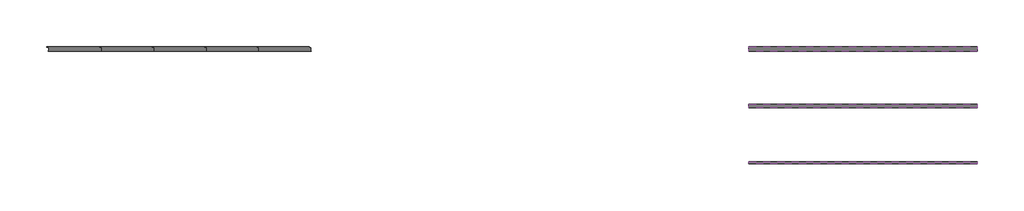
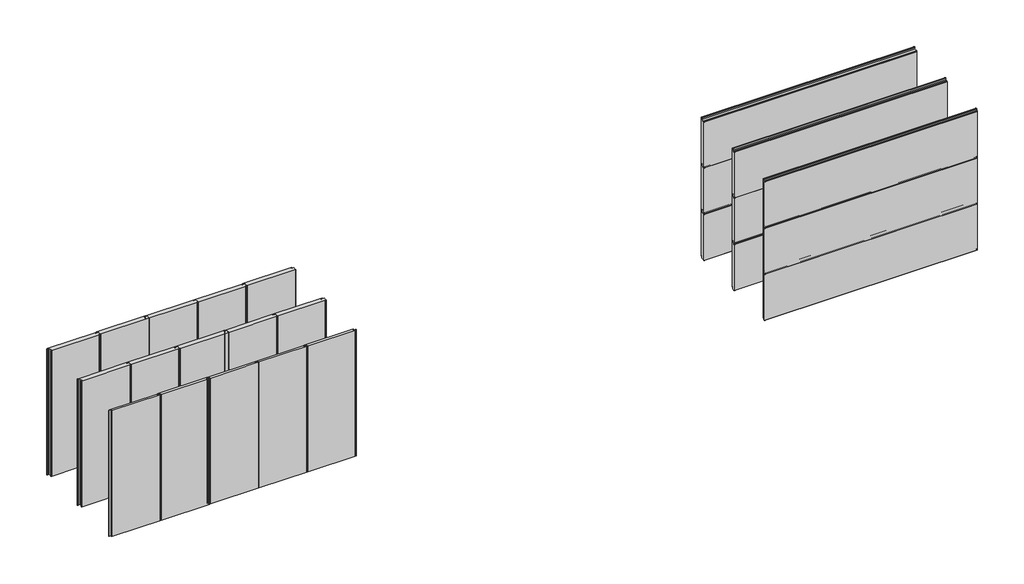
# One storey: 24 proxies.
"""IFC4 building model written with IfcOpenShell, lengths in millimetres."""

import ifcopenshell
import ifcopenshell.guid

model = None  # the IFC model being written
_history = None  # IfcOwnerHistory: only IFC2X3 demands one
_inside = {}  # id of a spatial element -> (the spatial element, [elements in it])
_under = {}  # id of a project, library or spatial element -> (it, [spatial elements below it])
_declared = {}  # id of a project -> (the project, [libraries it declares])
_typed = {}  # id of a type object -> (the type object, [elements of that type])
_made_of = {}  # id of a material, layer set ... -> (it, [elements and type objects made of it])


def new_model(schema):
    """Start an empty IFC model of exactly this schema.

    Asked for "IFC4X3", IfcOpenShell would pick the latest addendum, in which some entities
    have other attributes; the version numbers below select the first issue.
    IFC2X3 requires an IfcOwnerHistory on every rooted entity: one is made here for all.
    """
    global model, _history
    if schema == "IFC4X3":
        model = ifcopenshell.file(schema_version=(4, 3, 0, 0))
    else:
        model = ifcopenshell.file(schema=schema)
    _inside.clear()
    _under.clear()
    _declared.clear()
    _typed.clear()
    _made_of.clear()
    _history = None
    if model.schema == "IFC2X3":
        org = make("IfcOrganization", Name="unknown")
        user = make(
            "IfcPersonAndOrganization",
            ThePerson=make("IfcPerson", FamilyName="unknown"),
            TheOrganization=org,
        )
        app = make(
            "IfcApplication",
            ApplicationDeveloper=org,
            Version="unknown",
            ApplicationFullName="unknown",
            ApplicationIdentifier="unknown",
        )
        _history = make(
            "IfcOwnerHistory",
            OwningUser=user,
            OwningApplication=app,
            ChangeAction="ADDED",
            CreationDate=0,
        )
    return model


def make(cls, **values):
    """One entity of the class cls with the attributes given. An attribute that is None is left unset."""
    return model.create_entity(
        cls, **{name: value for name, value in values.items() if value is not None}
    )


def rooted(cls, **values):
    """An entity with a GlobalId (a new one), such as an element, a storey or a relation."""
    return make(cls, GlobalId=ifcopenshell.guid.new(), OwnerHistory=_history, **values)


def si_unit(unit_type, name, prefix=None):
    """IfcSIUnit, for example si_unit("LENGTHUNIT", "METRE", prefix="MILLI")."""
    return make("IfcSIUnit", UnitType=unit_type, Prefix=prefix, Name=name)


def assignment(units):
    """IfcUnitAssignment: the units of a project."""
    return None if units is None else make("IfcUnitAssignment", Units=units)


def point(xyz):
    """IfcCartesianPoint."""
    return None if xyz is None else make("IfcCartesianPoint", Coordinates=xyz)


def direction(xyz):
    """IfcDirection."""
    return None if xyz is None else make("IfcDirection", DirectionRatios=xyz)


def frame(location, z_axis=None, x_axis=None):
    """IfcAxis2Placement3D, a coordinate frame: its origin and axes. An axis left out is left unset."""
    return make(
        "IfcAxis2Placement3D",
        Location=point(location),
        Axis=direction(z_axis),
        RefDirection=direction(x_axis),
    )


def frame_2d(location, x_axis=None):
    """IfcAxis2Placement2D, a coordinate frame in the plane: its origin and x axis."""
    return make(
        "IfcAxis2Placement2D", Location=point(location), RefDirection=direction(x_axis)
    )


def origin():
    """The frame at (0, 0, 0) with its axes left unset."""
    return frame((0.0, 0.0, 0.0))


def origin_with_axes():
    """The frame at (0, 0, 0) with the z axis (0, 0, 1) and the x axis (1, 0, 0) written out."""
    return frame((0.0, 0.0, 0.0), z_axis=(0.0, 0.0, 1.0), x_axis=(1.0, 0.0, 0.0))


def place(relative_to, where):
    """IfcLocalPlacement: puts the frame where relative to a parent placement (None: the world)."""
    return make(
        "IfcLocalPlacement", PlacementRelTo=relative_to, RelativePlacement=where
    )


def context(
    kind, dimensions, precision=None, world=None, true_north=None, identifier=None
):
    """IfcGeometricRepresentationContext, for example the 3D "Model" context."""
    return make(
        "IfcGeometricRepresentationContext",
        ContextIdentifier=identifier,
        ContextType=kind,
        CoordinateSpaceDimension=dimensions,
        Precision=precision,
        WorldCoordinateSystem=world,
        TrueNorth=true_north,
    )


def project(units=None, contexts=None):
    """IfcProject with its units and contexts."""
    return rooted(
        "IfcProject",
        Name="project",
        RepresentationContexts=contexts,
        UnitsInContext=assignment(units),
    )


def spatial(cls, under=None, at=None, **own):
    """A site, building, storey or space (cls), placed at a placement, below another one or the project."""
    s = rooted(cls, ObjectPlacement=at, **own)
    if under is not None:
        _under.setdefault(under.id(), (under, []))[1].append(s)
    return s


def polyline(points):
    """IfcPolyline through the points."""
    return make("IfcPolyline", Points=[point(p) for p in points])


def circle_curve(where, radius):
    """IfcCircle in the frame where."""
    return make("IfcCircle", Position=where, Radius=radius)


def trimmed(basis, trim1, trim2, sense, master):
    """IfcTrimmedCurve: the piece of a basis curve between two trims."""
    return make(
        "IfcTrimmedCurve",
        BasisCurve=basis,
        Trim1=trim1,
        Trim2=trim2,
        SenseAgreement=sense,
        MasterRepresentation=master,
    )


def segment(curve, same_sense, transition):
    """IfcCompositeCurveSegment."""
    return make(
        "IfcCompositeCurveSegment",
        Transition=transition,
        SameSense=same_sense,
        ParentCurve=curve,
    )


def composite_curve(segments, self_intersect=None):
    """IfcCompositeCurve: segments joined end to end."""
    return make("IfcCompositeCurve", Segments=segments, SelfIntersect=self_intersect)


def outline(outer, holes=None, kind="AREA"):
    """IfcArbitraryClosedProfileDef: a profile drawn as a closed curve; with holes, ...WithVoids."""
    if holes is None:
        return make("IfcArbitraryClosedProfileDef", ProfileType=kind, OuterCurve=outer)
    return make(
        "IfcArbitraryProfileDefWithVoids",
        ProfileType=kind,
        OuterCurve=outer,
        InnerCurves=holes,
    )


def extrude(swept, where, along, depth):
    """IfcExtrudedAreaSolid: the profile swept, set in the frame where, extruded along a direction by depth."""
    return make(
        "IfcExtrudedAreaSolid",
        SweptArea=swept,
        Position=where,
        ExtrudedDirection=direction(along),
        Depth=depth,
    )


def shape(context_of_items, identifier, shape_type, items):
    """IfcShapeRepresentation: the items that make up one representation, for example the "Body"."""
    return make(
        "IfcShapeRepresentation",
        ContextOfItems=context_of_items,
        RepresentationIdentifier=identifier,
        RepresentationType=shape_type,
        Items=items,
    )


def source(mapping_origin, context_of_items, identifier, shape_type, items):
    """IfcRepresentationMap: a shape defined once, which mapped items show again and again."""
    return make(
        "IfcRepresentationMap",
        MappingOrigin=mapping_origin,
        MappedRepresentation=shape(context_of_items, identifier, shape_type, items),
    )


def transform(
    local_origin,
    x_axis=None,
    y_axis=None,
    z_axis=None,
    scale=None,
    scale2=None,
    scale3=None,
    uniform=True,
):
    """IfcCartesianTransformationOperator3D, or its non-uniform kind. x_axis, y_axis, z_axis: its Axis1, 2, 3."""
    if uniform:
        return make(
            "IfcCartesianTransformationOperator3D",
            Axis1=direction(x_axis),
            Axis2=direction(y_axis),
            LocalOrigin=point(local_origin),
            Scale=scale,
            Axis3=direction(z_axis),
        )
    return make(
        "IfcCartesianTransformationOperator3DnonUniform",
        Axis1=direction(x_axis),
        Axis2=direction(y_axis),
        LocalOrigin=point(local_origin),
        Scale=scale,
        Axis3=direction(z_axis),
        Scale2=scale2,
        Scale3=scale3,
    )


def mapped(mapping_source, mapping_target):
    """IfcMappedItem: shows the shape of a source again, moved by a transform."""
    return make(
        "IfcMappedItem", MappingSource=mapping_source, MappingTarget=mapping_target
    )


def made_of(thing, what):
    """Note that an element or type object is made of a material, layer set ...; save() writes the relation."""
    if what is not None:
        _made_of.setdefault(what.id(), (what, []))[1].append(thing)
    return thing


def element(
    cls,
    number,
    at=None,
    inside=None,
    cuts=None,
    type_object=None,
    material=None,
    context=None,
    identifier="Body",
    shape_type=None,
    held_by="IfcProductDefinitionShape",
    body=None,
    shapes=None,
    **own,
):
    """One element of the class cls, such as IfcWall. Its Tag is "e" and its number.

    at: its placement. inside: the storey or other place that contains it. cuts: it is an
    opening in that element (IfcRelVoidsElement). A single representation is given by context,
    identifier, shape_type and body (its items); several are given by shapes. held_by: the class
    of the entity that holds the representations. save() writes the other relations.
    """
    e = rooted(cls, Tag="e%d" % number, ObjectPlacement=at, **own)
    if body is not None:
        shapes = [shape(context, identifier, shape_type, body)]
    if shapes is not None:
        e.Representation = make(held_by, Representations=shapes)
    if inside is not None:
        _inside.setdefault(inside.id(), (inside, []))[1].append(e)
    if cuts is not None:
        rooted(
            "IfcRelVoidsElement", RelatingBuildingElement=cuts, RelatedOpeningElement=e
        )
    if type_object is not None:
        _typed.setdefault(type_object.id(), (type_object, []))[1].append(e)
    return made_of(e, material)


def aggregate(whole, parts):
    """IfcRelAggregates: a whole, such as a stair, and the parts it consists of."""
    return rooted("IfcRelAggregates", RelatingObject=whole, RelatedObjects=parts)


def save(model, path):
    """Write the relations noted so far, then the file.

    IfcRelAggregates (storeys below a building ...), IfcRelContainedInSpatialStructure (elements
    in a storey), IfcRelDefinesByType, IfcRelAssociatesMaterial and IfcRelDeclares: one each for
    every whole, place, type object, material and project.
    """
    for whole, parts in _under.values():
        aggregate(whole, parts)
    for where, things in _inside.values():
        rooted(
            "IfcRelContainedInSpatialStructure",
            RelatedElements=things,
            RelatingStructure=where,
        )
    for kind, things in _typed.values():
        rooted("IfcRelDefinesByType", RelatedObjects=things, RelatingType=kind)
    for what, things in _made_of.values():
        rooted("IfcRelAssociatesMaterial", RelatedObjects=things, RelatingMaterial=what)
    for by, libraries in _declared.values():
        rooted("IfcRelDeclares", RelatingContext=by, RelatedDefinitions=libraries)
    model.write(path)


def generic_models_19837a20(model_context):
    return source(origin(), model_context, "Body", "SweptSolid", [
        extrude(outline(composite_curve([segment(polyline([(-565.5, -38.4816509), (-557.5, -38.4816509), (-557.5, 35.03), (-594.9169737, 35.03)]), True, "CONTINUOUS"), segment(trimmed(circle_curve(frame_2d((-594.4430286, 37.2219283)), 2.2425819), [point((-594.9169737, 35.03))], [point((-596.6803567, 37.3753446))], False, "CARTESIAN"), True, "CONTINUOUS"), segment(trimmed(circle_curve(frame_2d((-597.7350122, 37.3753446)), 1.0546554), [point((-596.6803567, 37.3753446))], [point((-597.7350122, 38.43))], True, "CARTESIAN"), True, "CONTINUOUS"), segment(polyline([(-597.7350122, 38.43), (-605.5, 38.43)]), True, "CONTINUOUS"), segment(trimmed(circle_curve(frame_2d((-605.5, 41.965)), 3.535), [point((-605.5, 38.43))], [point((-605.5, 45.5))], False, "CARTESIAN"), True, "CONTINUOUS"), segment(polyline([(-605.5, 45.5), (-593.0, 45.5)]), True, "CONTINUOUS"), segment(trimmed(circle_curve(frame_2d((-593.0, 48.43)), 2.93), [point((-593.0, 45.5))], [point((-590.07, 48.43))], True, "CARTESIAN"), True, "CONTINUOUS"), segment(trimmed(circle_curve(frame_2d((-587.4645959, 47.0573077)), 2.9448964), [point((-590.07, 48.43))], [point((-587.5785115, 50.0))], False, "CARTESIAN"), True, "CONTINUOUS"), segment(polyline([(-587.5785115, 50.0), (507.417592, 50.0)]), True, "CONTINUOUS"), segment(trimmed(circle_curve(frame_2d((507.417592, 47.965)), 2.035), [point((507.417592, 50.0))], [point((507.417592, 45.93))], False, "CARTESIAN"), True, "CONTINUOUS"), segment(polyline([(507.417592, 45.93), (494.5, 45.93)]), True, "CONTINUOUS"), segment(trimmed(circle_curve(frame_2d((494.5, 42.0)), 3.93), [point((494.5, 45.93))], [point((494.5, 38.07))], True, "CARTESIAN"), True, "CONTINUOUS"), segment(polyline([(494.5, 38.07), (502.5, 38.07), (502.5, 26.0), (541.5, 26.0), (541.5, -37.4816509), (534.5, -37.4816509)]), True, "CONTINUOUS"), segment(trimmed(circle_curve(frame_2d((534.5, -41.9816509)), 4.5), [point((534.5, -37.4816509))], [point((534.5, -46.4816509))], True, "CARTESIAN"), True, "CONTINUOUS"), segment(polyline([(534.5, -46.4816509), (547.5802646, -46.4816509)]), True, "CONTINUOUS"), segment(trimmed(circle_curve(frame_2d((547.5802646, -48.2408255)), 1.7591745), [point((547.5802646, -46.4816509))], [point((547.5802646, -50.0))], False, "CARTESIAN"), True, "CONTINUOUS"), segment(polyline([(547.5802646, -50.0), (-547.9710411, -50.0)]), True, "CONTINUOUS"), segment(trimmed(circle_curve(frame_2d((-547.9710411, -47.8890983)), 2.1109017), [point((-547.9710411, -50.0))], [point((-549.9970408, -48.4817459))], False, "CARTESIAN"), True, "CONTINUOUS"), segment(trimmed(circle_curve(frame_2d((-552.9983877, -48.4817459)), 3.0013468), [point((-549.9970408, -48.4817459))], [point((-552.9983877, -45.480399))], True, "CARTESIAN"), True, "CONTINUOUS"), segment(polyline([(-552.9983877, -45.480399), (-565.5, -45.480399)]), True, "CONTINUOUS"), segment(trimmed(circle_curve(frame_2d((-565.5, -41.981025)), 3.4993741), [point((-565.5, -45.480399))], [point((-565.5, -38.4816509))], False, "CARTESIAN"), True, "CONTINUOUS")], self_intersect=False)), origin_with_axes(), (0.0, 0.0, 1.0), 3000.0),
    ])


def generic_models_d38d5bbc(model_context):
    return source(origin(), model_context, "Body", "SweptSolid", [
        extrude(outline(composite_curve([segment(polyline([(-565.5, -13.4816509), (-557.5, -13.4816509), (-557.5, 10.03), (-594.9169737, 10.03)]), True, "CONTINUOUS"), segment(trimmed(circle_curve(frame_2d((-594.4430286, 12.2219283)), 2.2425819), [point((-594.9169737, 10.03))], [point((-596.6803567, 12.3753446))], False, "CARTESIAN"), True, "CONTINUOUS"), segment(trimmed(circle_curve(frame_2d((-597.7350122, 12.3753446)), 1.0546554), [point((-596.6803567, 12.3753446))], [point((-597.7350122, 13.43))], True, "CARTESIAN"), True, "CONTINUOUS"), segment(polyline([(-597.7350122, 13.43), (-605.5, 13.43)]), True, "CONTINUOUS"), segment(trimmed(circle_curve(frame_2d((-605.5, 16.965)), 3.535), [point((-605.5, 13.43))], [point((-605.5, 20.5))], False, "CARTESIAN"), True, "CONTINUOUS"), segment(polyline([(-605.5, 20.5), (-593.0, 20.5)]), True, "CONTINUOUS"), segment(trimmed(circle_curve(frame_2d((-593.0, 23.43)), 2.93), [point((-593.0, 20.5))], [point((-590.07, 23.43))], True, "CARTESIAN"), True, "CONTINUOUS"), segment(trimmed(circle_curve(frame_2d((-587.4645959, 22.0573077)), 2.9448964), [point((-590.07, 23.43))], [point((-587.5785115, 25.0))], False, "CARTESIAN"), True, "CONTINUOUS"), segment(polyline([(-587.5785115, 25.0), (507.417592, 25.0)]), True, "CONTINUOUS"), segment(trimmed(circle_curve(frame_2d((507.417592, 22.965)), 2.035), [point((507.417592, 25.0))], [point((507.417592, 20.93))], False, "CARTESIAN"), True, "CONTINUOUS"), segment(polyline([(507.417592, 20.93), (494.5, 20.93)]), True, "CONTINUOUS"), segment(trimmed(circle_curve(frame_2d((494.5, 17.0)), 3.93), [point((494.5, 20.93))], [point((494.5, 13.07))], True, "CARTESIAN"), True, "CONTINUOUS"), segment(polyline([(494.5, 13.07), (502.5, 13.07), (502.5, 1.0), (541.5, 1.0), (541.5, -12.4816509), (534.5, -12.4816509)]), True, "CONTINUOUS"), segment(trimmed(circle_curve(frame_2d((534.5, -16.9816509)), 4.5), [point((534.5, -12.4816509))], [point((534.5, -21.4816509))], True, "CARTESIAN"), True, "CONTINUOUS"), segment(polyline([(534.5, -21.4816509), (547.5802646, -21.4816509)]), True, "CONTINUOUS"), segment(trimmed(circle_curve(frame_2d((547.5802646, -23.2408255)), 1.7591745), [point((547.5802646, -21.4816509))], [point((547.5802646, -25.0))], False, "CARTESIAN"), True, "CONTINUOUS"), segment(polyline([(547.5802646, -25.0), (-547.9710411, -25.0)]), True, "CONTINUOUS"), segment(trimmed(circle_curve(frame_2d((-547.9710411, -22.8890983)), 2.1109017), [point((-547.9710411, -25.0))], [point((-549.9970408, -23.4817459))], False, "CARTESIAN"), True, "CONTINUOUS"), segment(trimmed(circle_curve(frame_2d((-552.9983877, -23.4817459)), 3.0013468), [point((-549.9970408, -23.4817459))], [point((-552.9983877, -20.480399))], True, "CARTESIAN"), True, "CONTINUOUS"), segment(polyline([(-552.9983877, -20.480399), (-565.5, -20.480399)]), True, "CONTINUOUS"), segment(trimmed(circle_curve(frame_2d((-565.5, -16.981025)), 3.4993741), [point((-565.5, -20.480399))], [point((-565.5, -13.4816509))], False, "CARTESIAN"), True, "CONTINUOUS")], self_intersect=False)), origin_with_axes(), (0.0, 0.0, 1.0), 3000.0),
    ])


def generic_models_b4a0e852(model_context):
    return source(origin(), model_context, "Body", "SweptSolid", [
        extrude(outline(composite_curve([segment(polyline([(-565.5, -38.4816509), (-557.5, -38.4816509), (-557.5, 35.03), (-594.9169737, 35.03)]), True, "CONTINUOUS"), segment(trimmed(circle_curve(frame_2d((-594.4430286, 37.2219283)), 2.2425819), [point((-594.9169737, 35.03))], [point((-596.6803567, 37.3753446))], False, "CARTESIAN"), True, "CONTINUOUS"), segment(trimmed(circle_curve(frame_2d((-597.7350122, 37.3753446)), 1.0546554), [point((-596.6803567, 37.3753446))], [point((-597.7350122, 38.43))], True, "CARTESIAN"), True, "CONTINUOUS"), segment(polyline([(-597.7350122, 38.43), (-605.5, 38.43)]), True, "CONTINUOUS"), segment(trimmed(circle_curve(frame_2d((-605.5, 41.965)), 3.535), [point((-605.5, 38.43))], [point((-605.5, 45.5))], False, "CARTESIAN"), True, "CONTINUOUS"), segment(polyline([(-605.5, 45.5), (-593.0, 45.5)]), True, "CONTINUOUS"), segment(trimmed(circle_curve(frame_2d((-593.0, 48.43)), 2.93), [point((-593.0, 45.5))], [point((-590.07, 48.43))], True, "CARTESIAN"), True, "CONTINUOUS"), segment(trimmed(circle_curve(frame_2d((-587.4645959, 47.0573077)), 2.9448964), [point((-590.07, 48.43))], [point((-587.5785115, 50.0))], False, "CARTESIAN"), True, "CONTINUOUS"), segment(polyline([(-587.5785115, 50.0), (507.417592, 50.0)]), True, "CONTINUOUS"), segment(trimmed(circle_curve(frame_2d((507.417592, 47.965)), 2.035), [point((507.417592, 50.0))], [point((507.417592, 45.93))], False, "CARTESIAN"), True, "CONTINUOUS"), segment(polyline([(507.417592, 45.93), (494.5, 45.93)]), True, "CONTINUOUS"), segment(trimmed(circle_curve(frame_2d((494.5, 42.0)), 3.93), [point((494.5, 45.93))], [point((494.5, 38.07))], True, "CARTESIAN"), True, "CONTINUOUS"), segment(polyline([(494.5, 38.07), (502.5, 38.07), (502.5, 26.0), (541.5, 26.0), (541.5, -37.4816509), (534.5, -37.4816509)]), True, "CONTINUOUS"), segment(trimmed(circle_curve(frame_2d((534.5, -41.9816509)), 4.5), [point((534.5, -37.4816509))], [point((534.5, -46.4816509))], True, "CARTESIAN"), True, "CONTINUOUS"), segment(polyline([(534.5, -46.4816509), (547.5802646, -46.4816509)]), True, "CONTINUOUS"), segment(trimmed(circle_curve(frame_2d((547.5802646, -48.2408255)), 1.7591745), [point((547.5802646, -46.4816509))], [point((547.5802646, -50.0))], False, "CARTESIAN"), True, "CONTINUOUS"), segment(polyline([(547.5802646, -50.0), (-547.9710411, -50.0)]), True, "CONTINUOUS"), segment(trimmed(circle_curve(frame_2d((-547.9710411, -47.8890983)), 2.1109017), [point((-547.9710411, -50.0))], [point((-549.9970408, -48.4817459))], False, "CARTESIAN"), True, "CONTINUOUS"), segment(trimmed(circle_curve(frame_2d((-552.9983877, -48.4817459)), 3.0013468), [point((-549.9970408, -48.4817459))], [point((-552.9983877, -45.480399))], True, "CARTESIAN"), True, "CONTINUOUS"), segment(polyline([(-552.9983877, -45.480399), (-565.5, -45.480399)]), True, "CONTINUOUS"), segment(trimmed(circle_curve(frame_2d((-565.5, -41.981025)), 3.4993741), [point((-565.5, -45.480399))], [point((-565.5, -38.4816509))], False, "CARTESIAN"), True, "CONTINUOUS")], self_intersect=False)), origin_with_axes(), (0.0, 0.0, 1.0), 4800.0),
    ])


def generic_models_9e844eb6(model_context):
    return source(origin(), model_context, "Body", "SweptSolid", [
        extrude(outline(composite_curve([segment(polyline([(-565.5, -23.4816509), (-557.5, -23.4816509), (-557.5, 20.03), (-594.9169737, 20.03)]), True, "CONTINUOUS"), segment(trimmed(circle_curve(frame_2d((-594.4430286, 22.2219283)), 2.2425819), [point((-594.9169737, 20.03))], [point((-596.6803567, 22.3753446))], False, "CARTESIAN"), True, "CONTINUOUS"), segment(trimmed(circle_curve(frame_2d((-597.7350122, 22.3753446)), 1.0546554), [point((-596.6803567, 22.3753446))], [point((-597.7350122, 23.43))], True, "CARTESIAN"), True, "CONTINUOUS"), segment(polyline([(-597.7350122, 23.43), (-605.5, 23.43)]), True, "CONTINUOUS"), segment(trimmed(circle_curve(frame_2d((-605.5, 26.965)), 3.535), [point((-605.5, 23.43))], [point((-605.5, 30.5))], False, "CARTESIAN"), True, "CONTINUOUS"), segment(polyline([(-605.5, 30.5), (-593.0, 30.5)]), True, "CONTINUOUS"), segment(trimmed(circle_curve(frame_2d((-593.0, 33.43)), 2.93), [point((-593.0, 30.5))], [point((-590.07, 33.43))], True, "CARTESIAN"), True, "CONTINUOUS"), segment(trimmed(circle_curve(frame_2d((-587.4645959, 32.0573077)), 2.9448964), [point((-590.07, 33.43))], [point((-587.5785115, 35.0))], False, "CARTESIAN"), True, "CONTINUOUS"), segment(polyline([(-587.5785115, 35.0), (507.417592, 35.0)]), True, "CONTINUOUS"), segment(trimmed(circle_curve(frame_2d((507.417592, 32.965)), 2.035), [point((507.417592, 35.0))], [point((507.417592, 30.93))], False, "CARTESIAN"), True, "CONTINUOUS"), segment(polyline([(507.417592, 30.93), (494.5, 30.93)]), True, "CONTINUOUS"), segment(trimmed(circle_curve(frame_2d((494.5, 27.0)), 3.93), [point((494.5, 30.93))], [point((494.5, 23.07))], True, "CARTESIAN"), True, "CONTINUOUS"), segment(polyline([(494.5, 23.07), (502.5, 23.07), (502.5, 11.0), (541.5, 11.0), (541.5, -22.4816509), (534.5, -22.4816509)]), True, "CONTINUOUS"), segment(trimmed(circle_curve(frame_2d((534.5, -26.9816509)), 4.5), [point((534.5, -22.4816509))], [point((534.5, -31.4816509))], True, "CARTESIAN"), True, "CONTINUOUS"), segment(polyline([(534.5, -31.4816509), (547.5802646, -31.4816509)]), True, "CONTINUOUS"), segment(trimmed(circle_curve(frame_2d((547.5802646, -33.2408255)), 1.7591745), [point((547.5802646, -31.4816509))], [point((547.5802646, -35.0))], False, "CARTESIAN"), True, "CONTINUOUS"), segment(polyline([(547.5802646, -35.0), (-547.9710411, -35.0)]), True, "CONTINUOUS"), segment(trimmed(circle_curve(frame_2d((-547.9710411, -32.8890983)), 2.1109017), [point((-547.9710411, -35.0))], [point((-549.9970408, -33.4817459))], False, "CARTESIAN"), True, "CONTINUOUS"), segment(trimmed(circle_curve(frame_2d((-552.9983877, -33.4817459)), 3.0013468), [point((-549.9970408, -33.4817459))], [point((-552.9983877, -30.480399))], True, "CARTESIAN"), True, "CONTINUOUS"), segment(polyline([(-552.9983877, -30.480399), (-565.5, -30.480399)]), True, "CONTINUOUS"), segment(trimmed(circle_curve(frame_2d((-565.5, -26.981025)), 3.4993741), [point((-565.5, -30.480399))], [point((-565.5, -23.4816509))], False, "CARTESIAN"), True, "CONTINUOUS")], self_intersect=False)), origin_with_axes(), (0.0, 0.0, 1.0), 4800.0),
    ])


def generic_models_7d9cd6b7(model_context):
    return source(origin(), model_context, "Body", "SweptSolid", [
        extrude(outline(composite_curve([segment(polyline([(-565.5, -13.4816509), (-557.5, -13.4816509), (-557.5, 10.03), (-594.9169737, 10.03)]), True, "CONTINUOUS"), segment(trimmed(circle_curve(frame_2d((-594.4430286, 12.2219283)), 2.2425819), [point((-594.9169737, 10.03))], [point((-596.6803567, 12.3753446))], False, "CARTESIAN"), True, "CONTINUOUS"), segment(trimmed(circle_curve(frame_2d((-597.7350122, 12.3753446)), 1.0546554), [point((-596.6803567, 12.3753446))], [point((-597.7350122, 13.43))], True, "CARTESIAN"), True, "CONTINUOUS"), segment(polyline([(-597.7350122, 13.43), (-605.5, 13.43)]), True, "CONTINUOUS"), segment(trimmed(circle_curve(frame_2d((-605.5, 16.965)), 3.535), [point((-605.5, 13.43))], [point((-605.5, 20.5))], False, "CARTESIAN"), True, "CONTINUOUS"), segment(polyline([(-605.5, 20.5), (-593.0, 20.5)]), True, "CONTINUOUS"), segment(trimmed(circle_curve(frame_2d((-593.0, 23.43)), 2.93), [point((-593.0, 20.5))], [point((-590.07, 23.43))], True, "CARTESIAN"), True, "CONTINUOUS"), segment(trimmed(circle_curve(frame_2d((-587.4645959, 22.0573077)), 2.9448964), [point((-590.07, 23.43))], [point((-587.5785115, 25.0))], False, "CARTESIAN"), True, "CONTINUOUS"), segment(polyline([(-587.5785115, 25.0), (507.417592, 25.0)]), True, "CONTINUOUS"), segment(trimmed(circle_curve(frame_2d((507.417592, 22.965)), 2.035), [point((507.417592, 25.0))], [point((507.417592, 20.93))], False, "CARTESIAN"), True, "CONTINUOUS"), segment(polyline([(507.417592, 20.93), (494.5, 20.93)]), True, "CONTINUOUS"), segment(trimmed(circle_curve(frame_2d((494.5, 17.0)), 3.93), [point((494.5, 20.93))], [point((494.5, 13.07))], True, "CARTESIAN"), True, "CONTINUOUS"), segment(polyline([(494.5, 13.07), (502.5, 13.07), (502.5, 1.0), (541.5, 1.0), (541.5, -12.4816509), (534.5, -12.4816509)]), True, "CONTINUOUS"), segment(trimmed(circle_curve(frame_2d((534.5, -16.9816509)), 4.5), [point((534.5, -12.4816509))], [point((534.5, -21.4816509))], True, "CARTESIAN"), True, "CONTINUOUS"), segment(polyline([(534.5, -21.4816509), (547.5802646, -21.4816509)]), True, "CONTINUOUS"), segment(trimmed(circle_curve(frame_2d((547.5802646, -23.2408255)), 1.7591745), [point((547.5802646, -21.4816509))], [point((547.5802646, -25.0))], False, "CARTESIAN"), True, "CONTINUOUS"), segment(polyline([(547.5802646, -25.0), (-547.9710411, -25.0)]), True, "CONTINUOUS"), segment(trimmed(circle_curve(frame_2d((-547.9710411, -22.8890983)), 2.1109017), [point((-547.9710411, -25.0))], [point((-549.9970408, -23.4817459))], False, "CARTESIAN"), True, "CONTINUOUS"), segment(trimmed(circle_curve(frame_2d((-552.9983877, -23.4817459)), 3.0013468), [point((-549.9970408, -23.4817459))], [point((-552.9983877, -20.480399))], True, "CARTESIAN"), True, "CONTINUOUS"), segment(polyline([(-552.9983877, -20.480399), (-565.5, -20.480399)]), True, "CONTINUOUS"), segment(trimmed(circle_curve(frame_2d((-565.5, -16.981025)), 3.4993741), [point((-565.5, -20.480399))], [point((-565.5, -13.4816509))], False, "CARTESIAN"), True, "CONTINUOUS")], self_intersect=False)), origin_with_axes(), (0.0, 0.0, 1.0), 4800.0),
    ])


model = new_model("IFC4")

# Units and contexts
model_context = context("Model", 3, world=origin())
ifc_project = project(units=[si_unit("LENGTHUNIT", "METRE", prefix="MILLI")], contexts=[model_context])

# Site, building, storey
site = spatial("IfcSite", under=ifc_project)
building = spatial("IfcBuilding", under=site)
storey = spatial("IfcBuildingStorey", under=building, Elevation=0.0)

# Proxies
placement = place(None, origin())
generic_models_shape = generic_models_19837a20(model_context)
element("IfcBuildingElementProxy", 1, Name="Generic Models", at=placement, inside=storey, context=model_context, shape_type="MappedRepresentation", body=[
    mapped(generic_models_shape, transform((-19380.8288395, -14451.5804108, 0.0), x_axis=(1.0, 0.0, 0.0), y_axis=(0.0, 1.0, 0.0), z_axis=(0.0, 0.0, 1.0))),
])
element("IfcBuildingElementProxy", 2, Name="Generic Models", at=placement, inside=storey, context=model_context, shape_type="MappedRepresentation", body=[
    mapped(generic_models_shape, transform((-18280.8288394, -14451.5804108, 0.0), x_axis=(1.0, 0.0, 0.0), y_axis=(0.0, 1.0, 0.0), z_axis=(0.0, 0.0, 1.0))),
])
element("IfcBuildingElementProxy", 3, Name="Generic Models", at=placement, inside=storey, context=model_context, shape_type="MappedRepresentation", body=[
    mapped(generic_models_shape, transform((-17180.8288394, -14451.5804108, 0.0), x_axis=(1.0, 0.0, 0.0), y_axis=(0.0, 1.0, 0.0), z_axis=(0.0, 0.0, 1.0))),
])
element("IfcBuildingElementProxy", 4, Name="Generic Models", at=placement, inside=storey, context=model_context, shape_type="MappedRepresentation", body=[
    mapped(generic_models_shape, transform((-16080.8288394, -14451.5804108, 0.0), x_axis=(1.0, 0.0, 0.0), y_axis=(0.0, 1.0, 0.0), z_axis=(0.0, 0.0, 1.0))),
])
element("IfcBuildingElementProxy", 5, Name="Generic Models", at=placement, inside=storey, context=model_context, shape_type="MappedRepresentation", body=[
    mapped(generic_models_shape, transform((-14980.8288395, -14451.5804108, 0.0), x_axis=(1.0, 0.0, 0.0), y_axis=(0.0, 1.0, 0.0), z_axis=(0.0, 0.0, 1.0))),
])
element("IfcBuildingElementProxy", 6, Name="Generic Models", at=placement, inside=storey, context=model_context, shape_type="MappedRepresentation", body=[
    mapped(generic_models_shape, transform((-19380.8288395, -15647.1162476, 0.0), x_axis=(1.0, 0.0, 0.0), y_axis=(0.0, 1.0, 0.0), z_axis=(0.0, 0.0, 1.0))),
])
element("IfcBuildingElementProxy", 7, Name="Generic Models", at=placement, inside=storey, context=model_context, shape_type="MappedRepresentation", body=[
    mapped(generic_models_shape, transform((-18280.8288394, -15647.1162476, 0.0), x_axis=(1.0, 0.0, 0.0), y_axis=(0.0, 1.0, 0.0), z_axis=(0.0, 0.0, 1.0))),
])
element("IfcBuildingElementProxy", 8, Name="Generic Models", at=placement, inside=storey, context=model_context, shape_type="MappedRepresentation", body=[
    mapped(generic_models_shape, transform((-17180.8288394, -15647.1162476, 0.0), x_axis=(1.0, 0.0, 0.0), y_axis=(0.0, 1.0, 0.0), z_axis=(0.0, 0.0, 1.0))),
])
element("IfcBuildingElementProxy", 9, Name="Generic Models", at=placement, inside=storey, context=model_context, shape_type="MappedRepresentation", body=[
    mapped(generic_models_shape, transform((-16080.8288394, -15647.1162476, 0.0), x_axis=(1.0, 0.0, 0.0), y_axis=(0.0, 1.0, 0.0), z_axis=(0.0, 0.0, 1.0))),
])
element("IfcBuildingElementProxy", 10, Name="Generic Models", at=placement, inside=storey, context=model_context, shape_type="MappedRepresentation", body=[
    mapped(generic_models_shape, transform((-14980.8288395, -15647.1162476, 0.0), x_axis=(1.0, 0.0, 0.0), y_axis=(0.0, 1.0, 0.0), z_axis=(0.0, 0.0, 1.0))),
])
generic_models_2_shape = generic_models_d38d5bbc(model_context)
element("IfcBuildingElementProxy", 11, Name="Generic Models", at=placement, inside=storey, context=model_context, shape_type="MappedRepresentation", body=[
    mapped(generic_models_2_shape, transform((-19380.8288395, -16842.6520844, 0.0), x_axis=(1.0, 0.0, 0.0), y_axis=(0.0, 1.0, 0.0), z_axis=(0.0, 0.0, 1.0))),
])
element("IfcBuildingElementProxy", 12, Name="Generic Models", at=placement, inside=storey, context=model_context, shape_type="MappedRepresentation", body=[
    mapped(generic_models_2_shape, transform((-18280.8288394, -16842.6520844, 0.0), x_axis=(1.0, 0.0, 0.0), y_axis=(0.0, 1.0, 0.0), z_axis=(0.0, 0.0, 1.0))),
])
element("IfcBuildingElementProxy", 13, Name="Generic Models", at=placement, inside=storey, context=model_context, shape_type="MappedRepresentation", body=[
    mapped(generic_models_2_shape, transform((-17180.8288394, -16842.6520844, 0.0), x_axis=(1.0, 0.0, 0.0), y_axis=(0.0, 1.0, 0.0), z_axis=(0.0, 0.0, 1.0))),
])
element("IfcBuildingElementProxy", 14, Name="Generic Models", at=placement, inside=storey, context=model_context, shape_type="MappedRepresentation", body=[
    mapped(generic_models_2_shape, transform((-16080.8288394, -16842.6520844, 0.0), x_axis=(1.0, 0.0, 0.0), y_axis=(0.0, 1.0, 0.0), z_axis=(0.0, 0.0, 1.0))),
])
element("IfcBuildingElementProxy", 15, Name="Generic Models", at=placement, inside=storey, context=model_context, shape_type="MappedRepresentation", body=[
    mapped(generic_models_2_shape, transform((-14980.8288395, -16842.6520844, 0.0), x_axis=(1.0, 0.0, 0.0), y_axis=(0.0, 1.0, 0.0), z_axis=(0.0, 0.0, 1.0))),
])
generic_models_3_shape = generic_models_b4a0e852(model_context)
element("IfcBuildingElementProxy", 16, Name="Generic Models", at=placement, inside=storey, context=model_context, shape_type="MappedRepresentation", body=[
    mapped(generic_models_3_shape, transform((-5240.8288395, -14451.5804108, 550.0), x_axis=(0.0, 0.0, -1.0), y_axis=(0.0, 1.0, 0.0), z_axis=(1.0, 0.0, 0.0))),
])
element("IfcBuildingElementProxy", 17, Name="Generic Models", at=placement, inside=storey, context=model_context, shape_type="MappedRepresentation", body=[
    mapped(generic_models_3_shape, transform((-5240.8288395, -14451.5804108, 1650.0), x_axis=(0.0, 0.0, -1.0), y_axis=(0.0, 1.0, 0.0), z_axis=(1.0, 0.0, 0.0))),
])
element("IfcBuildingElementProxy", 18, Name="Generic Models", at=placement, inside=storey, context=model_context, shape_type="MappedRepresentation", body=[
    mapped(generic_models_3_shape, transform((-5240.8288395, -14451.5804108, 2750.0), x_axis=(0.0, 0.0, -1.0), y_axis=(0.0, 1.0, 0.0), z_axis=(1.0, 0.0, 0.0))),
])
generic_models_4_shape = generic_models_9e844eb6(model_context)
element("IfcBuildingElementProxy", 19, Name="Generic Models", at=placement, inside=storey, context=model_context, shape_type="MappedRepresentation", body=[
    mapped(generic_models_4_shape, transform((-5240.8288395, -15647.1162476, 550.0), x_axis=(0.0, 0.0, -1.0), y_axis=(0.0, 1.0, 0.0), z_axis=(1.0, 0.0, 0.0))),
])
element("IfcBuildingElementProxy", 20, Name="Generic Models", at=placement, inside=storey, context=model_context, shape_type="MappedRepresentation", body=[
    mapped(generic_models_4_shape, transform((-5240.8288395, -15647.1162476, 1650.0), x_axis=(0.0, 0.0, -1.0), y_axis=(0.0, 1.0, 0.0), z_axis=(1.0, 0.0, 0.0))),
])
element("IfcBuildingElementProxy", 21, Name="Generic Models", at=placement, inside=storey, context=model_context, shape_type="MappedRepresentation", body=[
    mapped(generic_models_4_shape, transform((-5240.8288395, -15647.1162476, 2750.0), x_axis=(0.0, 0.0, -1.0), y_axis=(0.0, 1.0, 0.0), z_axis=(1.0, 0.0, 0.0))),
])
generic_models_5_shape = generic_models_7d9cd6b7(model_context)
element("IfcBuildingElementProxy", 22, Name="Generic Models", at=placement, inside=storey, context=model_context, shape_type="MappedRepresentation", body=[
    mapped(generic_models_5_shape, transform((-5240.8288395, -16842.6520844, 550.0), x_axis=(0.0, 0.0, -1.0), y_axis=(0.0, 1.0, 0.0), z_axis=(1.0, 0.0, 0.0))),
])
element("IfcBuildingElementProxy", 23, Name="Generic Models", at=placement, inside=storey, context=model_context, shape_type="MappedRepresentation", body=[
    mapped(generic_models_5_shape, transform((-5240.8288395, -16842.6520844, 1650.0), x_axis=(0.0, 0.0, -1.0), y_axis=(0.0, 1.0, 0.0), z_axis=(1.0, 0.0, 0.0))),
])
element("IfcBuildingElementProxy", 24, Name="Generic Models", at=placement, inside=storey, context=model_context, shape_type="MappedRepresentation", body=[
    mapped(generic_models_5_shape, transform((-5240.8288395, -16842.6520844, 2750.0), x_axis=(0.0, 0.0, -1.0), y_axis=(0.0, 1.0, 0.0), z_axis=(1.0, 0.0, 0.0))),
])

save(model, "model.ifc")
